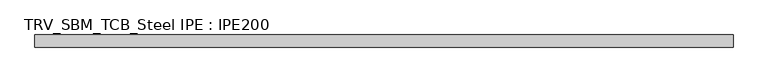
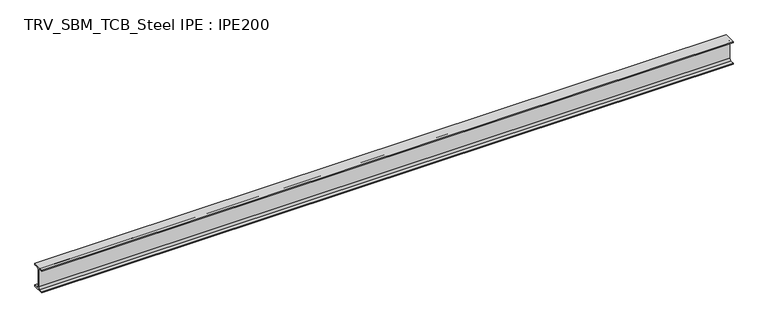
"""IFC4 building model written with IfcOpenShell, lengths in millimetres: beam geometry, TRV_SBM_TCB_Steel IPE : IPE200."""

from ifc_helpers import new_model, si_unit, point, frame, frame_2d, origin, place, context, project, spatial, polyline, circle_curve, trimmed, segment, composite_curve, outline, extrude, source, transform, mapped, element, save


def trv_sbm_tcb_steel_ipe_ipe200_b86c387e(model_context):
    return source(origin(), model_context, "Body", "SweptSolid", [
        extrude(outline(composite_curve([segment(polyline([(-50.0, -89.3), (-18.55, -89.3)]), True, "CONTINUOUS"), segment(trimmed(circle_curve(frame_2d((-18.55, -74.3)), 15.0), [point((-18.55, -89.3))], [point((-3.55, -74.3))], True, "CARTESIAN"), True, "CONTINUOUS"), segment(polyline([(-3.55, -74.3), (-3.55, 74.3)]), True, "CONTINUOUS"), segment(trimmed(circle_curve(frame_2d((-18.55, 74.3)), 15.0), [point((-3.55, 74.3))], [point((-18.55, 89.3))], True, "CARTESIAN"), True, "CONTINUOUS"), segment(polyline([(-18.55, 89.3), (-50.0, 89.3), (-50.0, 100.0), (50.0, 100.0), (50.0, 89.3), (18.55, 89.3)]), True, "CONTINUOUS"), segment(trimmed(circle_curve(frame_2d((18.55, 74.3)), 15.0), [point((18.55, 89.3))], [point((3.55, 74.3))], True, "CARTESIAN"), True, "CONTINUOUS"), segment(polyline([(3.55, 74.3), (3.55, -74.3)]), True, "CONTINUOUS"), segment(trimmed(circle_curve(frame_2d((18.55, -74.3)), 15.0), [point((3.55, -74.3))], [point((18.55, -89.3))], True, "CARTESIAN"), True, "CONTINUOUS"), segment(polyline([(18.55, -89.3), (50.0, -89.3), (50.0, -100.0), (-50.0, -100.0), (-50.0, -89.3)]), True, "CONTINUOUS")], self_intersect=False)), frame((-2868.0, 0.0, 0.0), z_axis=(1.0, 0.0, 0.0), x_axis=(0.0, 1.0, 0.0)), (0.0, 0.0, 1.0), 5766.0),
    ])


if __name__ == "__main__":
    model = new_model("IFC4")
    model_context = context("Model", 3, world=origin())
    ifc_project = project(units=[si_unit("LENGTHUNIT", "METRE", prefix="MILLI")], contexts=[model_context])
    site = spatial("IfcSite", under=ifc_project)
    building = spatial("IfcBuilding", under=site)
    placement = place(None, origin())
    trv_sbm_tcb_steel_ipe_ipe200_shape = trv_sbm_tcb_steel_ipe_ipe200_b86c387e(model_context)
    element("IfcBeam", 1, ObjectType="TRV_SBM_TCB_Steel IPE : IPE200", at=placement, inside=building, context=model_context, shape_type="MappedRepresentation", body=[
        mapped(trv_sbm_tcb_steel_ipe_ipe200_shape, transform((0.0, 0.0, 0.0), x_axis=(1.0, 0.0, 0.0), y_axis=(0.0, 1.0, 0.0), z_axis=(0.0, 0.0, 1.0))),
    ])
    save(model, "model.ifc")
